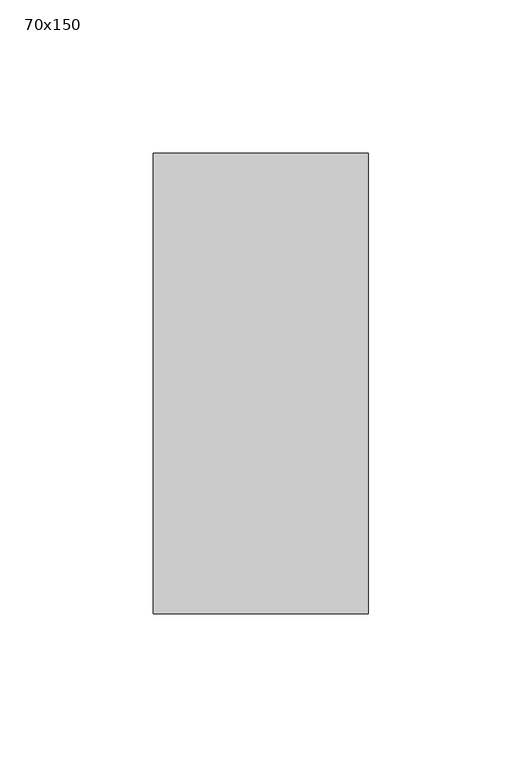
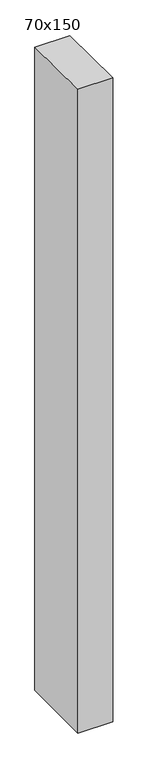
"""IFC4 building model written with IfcOpenShell, lengths in millimetres: member geometry, 70x150."""

import ifcopenshell
import ifcopenshell.guid

model = None  # the IFC model being written
_history = None  # IfcOwnerHistory: only IFC2X3 demands one
_inside = {}  # id of a spatial element -> (the spatial element, [elements in it])
_under = {}  # id of a project, library or spatial element -> (it, [spatial elements below it])
_declared = {}  # id of a project -> (the project, [libraries it declares])
_typed = {}  # id of a type object -> (the type object, [elements of that type])
_made_of = {}  # id of a material, layer set ... -> (it, [elements and type objects made of it])


def new_model(schema):
    """Start an empty IFC model of exactly this schema.

    Asked for "IFC4X3", IfcOpenShell would pick the latest addendum, in which some entities
    have other attributes; the version numbers below select the first issue.
    IFC2X3 requires an IfcOwnerHistory on every rooted entity: one is made here for all.
    """
    global model, _history
    if schema == "IFC4X3":
        model = ifcopenshell.file(schema_version=(4, 3, 0, 0))
    else:
        model = ifcopenshell.file(schema=schema)
    _inside.clear()
    _under.clear()
    _declared.clear()
    _typed.clear()
    _made_of.clear()
    _history = None
    if model.schema == "IFC2X3":
        org = make("IfcOrganization", Name="unknown")
        user = make(
            "IfcPersonAndOrganization",
            ThePerson=make("IfcPerson", FamilyName="unknown"),
            TheOrganization=org,
        )
        app = make(
            "IfcApplication",
            ApplicationDeveloper=org,
            Version="unknown",
            ApplicationFullName="unknown",
            ApplicationIdentifier="unknown",
        )
        _history = make(
            "IfcOwnerHistory",
            OwningUser=user,
            OwningApplication=app,
            ChangeAction="ADDED",
            CreationDate=0,
        )
    return model


def make(cls, **values):
    """One entity of the class cls with the attributes given. An attribute that is None is left unset."""
    return model.create_entity(
        cls, **{name: value for name, value in values.items() if value is not None}
    )


def rooted(cls, **values):
    """An entity with a GlobalId (a new one), such as an element, a storey or a relation."""
    return make(cls, GlobalId=ifcopenshell.guid.new(), OwnerHistory=_history, **values)


def si_unit(unit_type, name, prefix=None):
    """IfcSIUnit, for example si_unit("LENGTHUNIT", "METRE", prefix="MILLI")."""
    return make("IfcSIUnit", UnitType=unit_type, Prefix=prefix, Name=name)


def assignment(units):
    """IfcUnitAssignment: the units of a project."""
    return None if units is None else make("IfcUnitAssignment", Units=units)


def point(xyz):
    """IfcCartesianPoint."""
    return None if xyz is None else make("IfcCartesianPoint", Coordinates=xyz)


def direction(xyz):
    """IfcDirection."""
    return None if xyz is None else make("IfcDirection", DirectionRatios=xyz)


def frame(location, z_axis=None, x_axis=None):
    """IfcAxis2Placement3D, a coordinate frame: its origin and axes. An axis left out is left unset."""
    return make(
        "IfcAxis2Placement3D",
        Location=point(location),
        Axis=direction(z_axis),
        RefDirection=direction(x_axis),
    )


def origin():
    """The frame at (0, 0, 0) with its axes left unset."""
    return frame((0.0, 0.0, 0.0))


def place(relative_to, where):
    """IfcLocalPlacement: puts the frame where relative to a parent placement (None: the world)."""
    return make(
        "IfcLocalPlacement", PlacementRelTo=relative_to, RelativePlacement=where
    )


def context(
    kind, dimensions, precision=None, world=None, true_north=None, identifier=None
):
    """IfcGeometricRepresentationContext, for example the 3D "Model" context."""
    return make(
        "IfcGeometricRepresentationContext",
        ContextIdentifier=identifier,
        ContextType=kind,
        CoordinateSpaceDimension=dimensions,
        Precision=precision,
        WorldCoordinateSystem=world,
        TrueNorth=true_north,
    )


def project(units=None, contexts=None):
    """IfcProject with its units and contexts."""
    return rooted(
        "IfcProject",
        Name="project",
        RepresentationContexts=contexts,
        UnitsInContext=assignment(units),
    )


def spatial(cls, under=None, at=None, **own):
    """A site, building, storey or space (cls), placed at a placement, below another one or the project."""
    s = rooted(cls, ObjectPlacement=at, **own)
    if under is not None:
        _under.setdefault(under.id(), (under, []))[1].append(s)
    return s


def polyline(points):
    """IfcPolyline through the points."""
    return make("IfcPolyline", Points=[point(p) for p in points])


def outline(outer, holes=None, kind="AREA"):
    """IfcArbitraryClosedProfileDef: a profile drawn as a closed curve; with holes, ...WithVoids."""
    if holes is None:
        return make("IfcArbitraryClosedProfileDef", ProfileType=kind, OuterCurve=outer)
    return make(
        "IfcArbitraryProfileDefWithVoids",
        ProfileType=kind,
        OuterCurve=outer,
        InnerCurves=holes,
    )


def extrude(swept, where, along, depth):
    """IfcExtrudedAreaSolid: the profile swept, set in the frame where, extruded along a direction by depth."""
    return make(
        "IfcExtrudedAreaSolid",
        SweptArea=swept,
        Position=where,
        ExtrudedDirection=direction(along),
        Depth=depth,
    )


def shape(context_of_items, identifier, shape_type, items):
    """IfcShapeRepresentation: the items that make up one representation, for example the "Body"."""
    return make(
        "IfcShapeRepresentation",
        ContextOfItems=context_of_items,
        RepresentationIdentifier=identifier,
        RepresentationType=shape_type,
        Items=items,
    )


def source(mapping_origin, context_of_items, identifier, shape_type, items):
    """IfcRepresentationMap: a shape defined once, which mapped items show again and again."""
    return make(
        "IfcRepresentationMap",
        MappingOrigin=mapping_origin,
        MappedRepresentation=shape(context_of_items, identifier, shape_type, items),
    )


def transform(
    local_origin,
    x_axis=None,
    y_axis=None,
    z_axis=None,
    scale=None,
    scale2=None,
    scale3=None,
    uniform=True,
):
    """IfcCartesianTransformationOperator3D, or its non-uniform kind. x_axis, y_axis, z_axis: its Axis1, 2, 3."""
    if uniform:
        return make(
            "IfcCartesianTransformationOperator3D",
            Axis1=direction(x_axis),
            Axis2=direction(y_axis),
            LocalOrigin=point(local_origin),
            Scale=scale,
            Axis3=direction(z_axis),
        )
    return make(
        "IfcCartesianTransformationOperator3DnonUniform",
        Axis1=direction(x_axis),
        Axis2=direction(y_axis),
        LocalOrigin=point(local_origin),
        Scale=scale,
        Axis3=direction(z_axis),
        Scale2=scale2,
        Scale3=scale3,
    )


def mapped(mapping_source, mapping_target):
    """IfcMappedItem: shows the shape of a source again, moved by a transform."""
    return make(
        "IfcMappedItem", MappingSource=mapping_source, MappingTarget=mapping_target
    )


def made_of(thing, what):
    """Note that an element or type object is made of a material, layer set ...; save() writes the relation."""
    if what is not None:
        _made_of.setdefault(what.id(), (what, []))[1].append(thing)
    return thing


def element(
    cls,
    number,
    at=None,
    inside=None,
    cuts=None,
    type_object=None,
    material=None,
    context=None,
    identifier="Body",
    shape_type=None,
    held_by="IfcProductDefinitionShape",
    body=None,
    shapes=None,
    **own,
):
    """One element of the class cls, such as IfcWall. Its Tag is "e" and its number.

    at: its placement. inside: the storey or other place that contains it. cuts: it is an
    opening in that element (IfcRelVoidsElement). A single representation is given by context,
    identifier, shape_type and body (its items); several are given by shapes. held_by: the class
    of the entity that holds the representations. save() writes the other relations.
    """
    e = rooted(cls, Tag="e%d" % number, ObjectPlacement=at, **own)
    if body is not None:
        shapes = [shape(context, identifier, shape_type, body)]
    if shapes is not None:
        e.Representation = make(held_by, Representations=shapes)
    if inside is not None:
        _inside.setdefault(inside.id(), (inside, []))[1].append(e)
    if cuts is not None:
        rooted(
            "IfcRelVoidsElement", RelatingBuildingElement=cuts, RelatedOpeningElement=e
        )
    if type_object is not None:
        _typed.setdefault(type_object.id(), (type_object, []))[1].append(e)
    return made_of(e, material)


def aggregate(whole, parts):
    """IfcRelAggregates: a whole, such as a stair, and the parts it consists of."""
    return rooted("IfcRelAggregates", RelatingObject=whole, RelatedObjects=parts)


def save(model, path):
    """Write the relations noted so far, then the file.

    IfcRelAggregates (storeys below a building ...), IfcRelContainedInSpatialStructure (elements
    in a storey), IfcRelDefinesByType, IfcRelAssociatesMaterial and IfcRelDeclares: one each for
    every whole, place, type object, material and project.
    """
    for whole, parts in _under.values():
        aggregate(whole, parts)
    for where, things in _inside.values():
        rooted(
            "IfcRelContainedInSpatialStructure",
            RelatedElements=things,
            RelatingStructure=where,
        )
    for kind, things in _typed.values():
        rooted("IfcRelDefinesByType", RelatedObjects=things, RelatingType=kind)
    for what, things in _made_of.values():
        rooted("IfcRelAssociatesMaterial", RelatedObjects=things, RelatingMaterial=what)
    for by, libraries in _declared.values():
        rooted("IfcRelDeclares", RelatingContext=by, RelatedDefinitions=libraries)
    model.write(path)


def member_70x150_b5325b41(model_context):
    return source(origin(), model_context, "Body", "SweptSolid", [
        extrude(outline(polyline([(-75.0, 0.8390931), (75.0, -0.8390931), (75.0, -1371.674934), (-75.0, -1371.5381458), (-75.0, 0.8390931)])), frame((-70.0, 0.0, 0.0), z_axis=(1.0, 0.0, 0.0), x_axis=(0.0, 1.0, 0.0)), (0.0, 0.0, 1.0), 70.0),
    ])


if __name__ == "__main__":
    model = new_model("IFC4")
    model_context = context("Model", 3, world=origin())
    ifc_project = project(units=[si_unit("LENGTHUNIT", "METRE", prefix="MILLI")], contexts=[model_context])
    site = spatial("IfcSite", under=ifc_project)
    building = spatial("IfcBuilding", under=site)
    placement = place(None, origin())
    member_70x150_shape = member_70x150_b5325b41(model_context)
    element("IfcMember", 1, ObjectType="70x150", at=placement, inside=building, context=model_context, shape_type="MappedRepresentation", body=[
        mapped(member_70x150_shape, transform((0.0, 0.0, 0.0), x_axis=(1.0, 0.0, 0.0), y_axis=(0.0, 1.0, 0.0), z_axis=(0.0, 0.0, 1.0))),
    ])
    save(model, "model.ifc")
